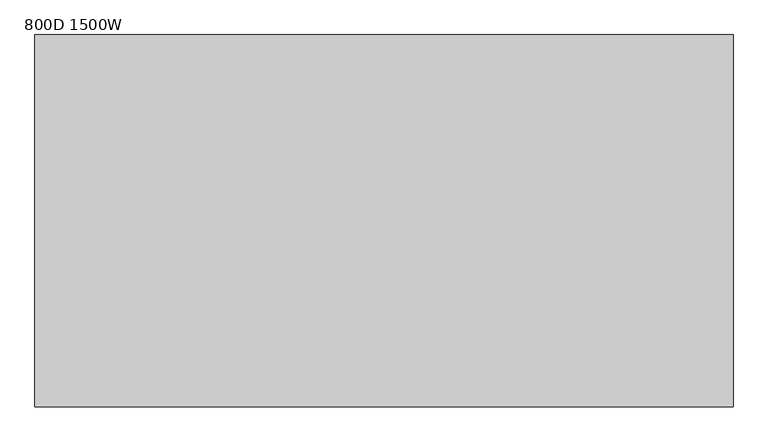
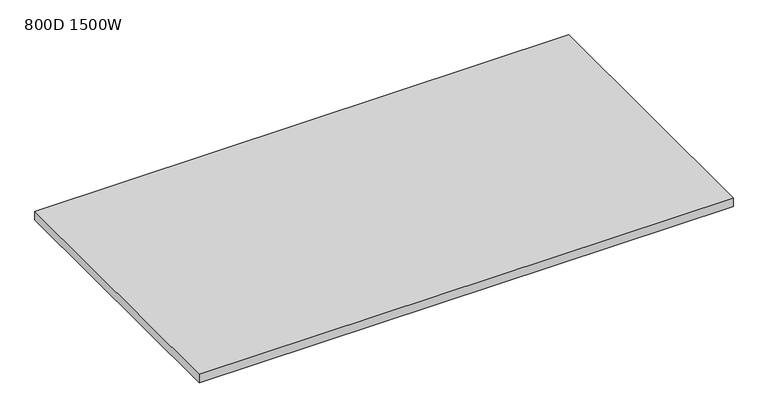
"""IFC4 building model written with IfcOpenShell, lengths in millimetres: furniture geometry, 800D 1500W."""

from ifc_helpers import new_model, si_unit, frame, origin, place, context, project, spatial, polyline, outline, extrude, source, transform, mapped, element, save


def furniture_800d_1500w_742e5f3e(model_context):
    return source(origin(), model_context, "Body", "SweptSolid", [
        extrude(outline(polyline([(-750.0, -800.0), (-750.0, 0.0), (750.0, 0.0), (750.0, -800.0), (-750.0, -800.0)])), frame((0.0, 0.0, 715.0), z_axis=(0.0, 0.0, 1.0), x_axis=(1.0, 0.0, 0.0)), (0.0, 0.0, 1.0), 25.0),
    ])


if __name__ == "__main__":
    model = new_model("IFC4")
    model_context = context("Model", 3, world=origin())
    ifc_project = project(units=[si_unit("LENGTHUNIT", "METRE", prefix="MILLI")], contexts=[model_context])
    site = spatial("IfcSite", under=ifc_project)
    building = spatial("IfcBuilding", under=site)
    placement = place(None, origin())
    furniture_800d_1500w_shape = furniture_800d_1500w_742e5f3e(model_context)
    element("IfcFurniture", 1, ObjectType="800D 1500W", at=placement, inside=building, context=model_context, shape_type="MappedRepresentation", body=[
        mapped(furniture_800d_1500w_shape, transform((0.0, 0.0, 0.0), x_axis=(1.0, 0.0, 0.0), y_axis=(0.0, 1.0, 0.0), z_axis=(0.0, 0.0, 1.0))),
    ])
    save(model, "model.ifc")
